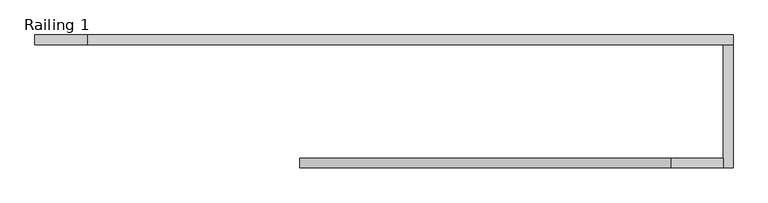
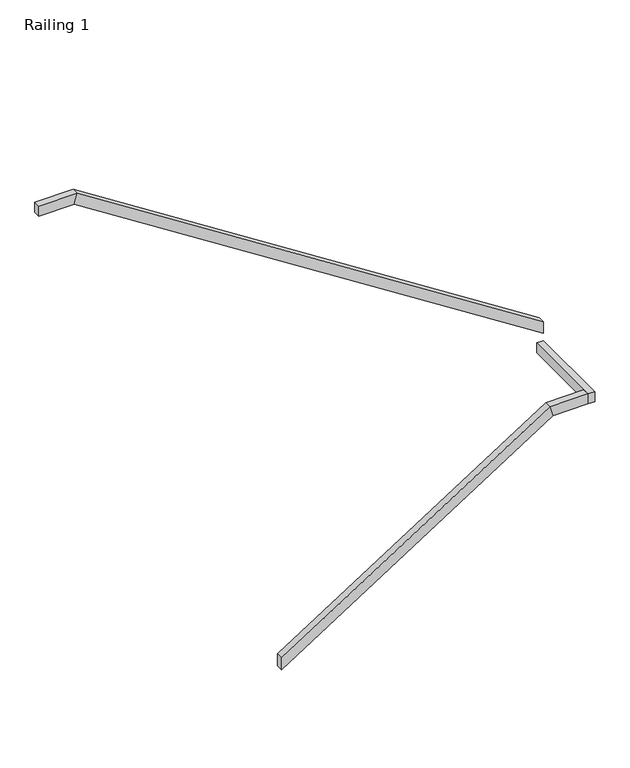
"""IFC4 building model written with IfcOpenShell, lengths in millimetres: railing geometry, Railing 1."""

from ifc_helpers import new_model, si_unit, origin, place, context, project, spatial, faceted_brep, source, transform, mapped, element, save


def railing_1_b9161725(model_context):
    return source(origin(), model_context, "Body", "Brep", [
        faceted_brep([(16100.0, 11049.2, 1079.2941176), (16100.0, 11100.0, 1079.2941176), (16100.0, 11100.0, 988.8106567), (16100.0, 11049.2, 988.8106567), (18060.0, 11049.2, 2334.3529412), (18060.0, 11100.0, 2334.3529412), (18082.3061924, 11100.0, 2258.1529412), (18082.3061924, 11049.2, 2258.1529412), (18340.0, 11049.2, 2334.3529412), (18340.0, 11049.2, 2258.1529412), (18340.0, 11100.0, 2258.1529412), (18340.0, 11100.0, 2334.3529412)], [[[0, 1, 2, 3]], [[1, 0, 4, 5]], [[2, 1, 5, 6]], [[3, 2, 6, 7]], [[0, 3, 7, 4]], [[8, 9, 10, 11]], [[5, 4, 8, 11]], [[6, 5, 11, 10]], [[7, 6, 10, 9]], [[4, 7, 9, 8]]]),
        faceted_brep([(18390.8, 11049.2, 2334.3529412), (18340.0, 11049.2, 2334.3529412), (18340.0, 11049.2, 2258.1529412), (18390.8, 11049.2, 2258.1529412), (18390.8, 11700.0, 2334.3529412), (18390.8, 11700.0, 2258.1529412), (18340.0, 11700.0, 2258.1529412), (18340.0, 11700.0, 2334.3529412)], [[[0, 1, 2, 3]], [[4, 5, 6, 7]], [[1, 0, 4, 7]], [[2, 1, 7, 6]], [[3, 2, 6, 5]], [[0, 3, 5, 4]]]),
        faceted_brep([(18390.8, 11750.8, 2481.1179832), (18390.8, 11700.0, 2481.1179832), (18390.8, 11700.0, 2390.6345222), (18390.8, 11750.8, 2390.6345222), (14980.0, 11750.8, 4665.1764706), (14980.0, 11700.0, 4665.1764706), (14957.6938076, 11700.0, 4588.9764706), (14957.6938076, 11750.8, 4588.9764706), (14700.0, 11750.8, 4665.1764706), (14700.0, 11750.8, 4588.9764706), (14700.0, 11700.0, 4588.9764706), (14700.0, 11700.0, 4665.1764706)], [[[0, 1, 2, 3]], [[1, 0, 4, 5]], [[2, 1, 5, 6]], [[3, 2, 6, 7]], [[0, 3, 7, 4]], [[8, 9, 10, 11]], [[5, 4, 8, 11]], [[6, 5, 11, 10]], [[7, 6, 10, 9]], [[4, 7, 9, 8]]]),
    ])


if __name__ == "__main__":
    model = new_model("IFC4")
    model_context = context("Model", 3, world=origin())
    ifc_project = project(units=[si_unit("LENGTHUNIT", "METRE", prefix="MILLI")], contexts=[model_context])
    site = spatial("IfcSite", under=ifc_project)
    building = spatial("IfcBuilding", under=site)
    placement = place(None, origin())
    railing_1_shape = railing_1_b9161725(model_context)
    element("IfcRailing", 1, ObjectType="Railing 1", at=placement, inside=building, context=model_context, shape_type="MappedRepresentation", body=[
        mapped(railing_1_shape, transform((0.0, 0.0, 0.0), x_axis=(1.0, 0.0, 0.0), y_axis=(0.0, 1.0, 0.0), z_axis=(0.0, 0.0, 1.0))),
    ])
    save(model, "model.ifc")
